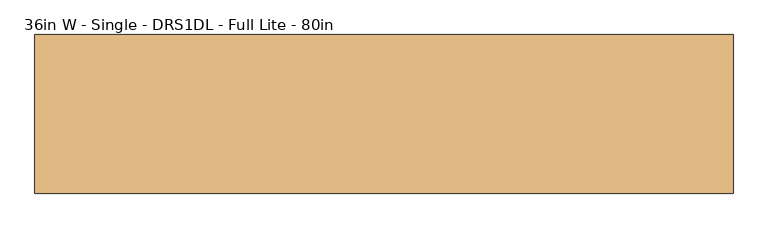
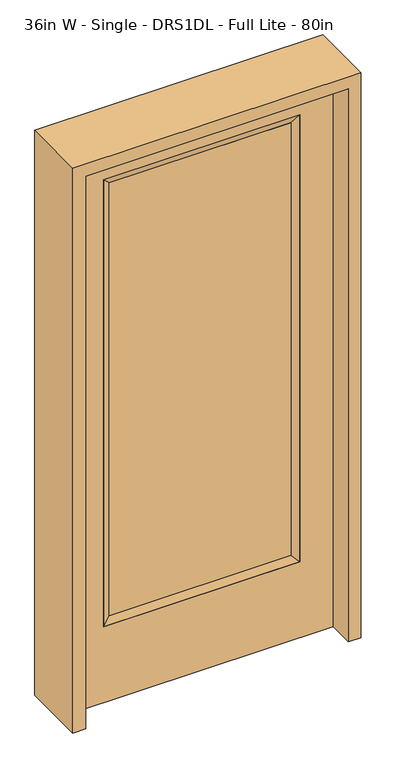
"""IFC4 building model written with IfcOpenShell, lengths in millimetres: door geometry, 36in W - Single - DRS1DL - Full Lite - 80in."""

from ifc_helpers import new_model, si_unit, frame, origin, place, context, project, spatial, polyline, outline, extrude, faceted_brep, source, transform, mapped, element, save


def door_36in_w_single_drs1dl_full_lite_80in_4574c192(model_context):
    return source(origin(), model_context, "Body", "SolidModel", [
        extrude(outline(polyline([(316.3824, -12.7039749), (-316.3824, -12.7039749), (-316.3824, 14.2875), (316.3824, 14.2875), (316.3824, -12.7039749)])), frame((0.0, 0.0, 304.8), z_axis=(0.0, 0.0, 1.0), x_axis=(1.0, 0.0, 0.0)), (0.0, 0.0, 1.0), 1591.1576),
        faceted_brep([(316.3824, 14.2875, 1895.9576), (341.7824, 22.225, 1921.3576), (341.7824, 22.225, 279.4), (316.3824, 14.2875, 304.8), (341.7824, -22.225, 1921.3576), (341.7824, -22.225, 279.4), (-341.7824, 22.225, 279.4), (-316.3824, 14.2875, 304.8), (316.3824, -12.7039749, 1895.9576), (316.3824, -12.7039749, 304.8), (-316.3824, -12.7039749, 304.8), (-341.7824, -22.225, 279.4), (-341.7824, 22.225, 1921.3576), (-316.3824, 14.2875, 1895.9576), (-316.3824, -12.7039749, 1895.9576), (-341.7824, -22.225, 1921.3576)], [[[0, 1, 2, 3]], [[1, 4, 5, 2]], [[3, 2, 6, 7]], [[8, 0, 3, 9]], [[9, 3, 7, 10]], [[4, 8, 9, 5]], [[5, 9, 10, 11]], [[2, 5, 11, 6]], [[7, 6, 12, 13]], [[10, 7, 13, 14]], [[11, 10, 14, 15]], [[6, 11, 15, 12]], [[13, 12, 1, 0]], [[14, 13, 0, 8]], [[15, 14, 8, 4]], [[12, 15, 4, 1]]]),
        extrude(outline(polyline([(0.0, -457.2), (0.0, 457.2), (2032.0, 457.2), (2032.0, -457.2), (0.0, -457.2)]), holes=[polyline([(279.4, -341.7824), (1921.3576, -341.7824), (1921.3576, 341.7824), (279.4, 341.7824), (279.4, -341.7824)])]), frame((0.0, -22.225, 0.0), z_axis=(0.0, 1.0, 0.0), x_axis=(0.0, 0.0, 1.0)), (0.0, 0.0, 1.0), 44.45),
        extrude(outline(polyline([(0.0, -501.65), (0.0, -457.2), (2032.0, -457.2), (2032.0, 457.2), (0.0, 457.2), (0.0, 501.65), (2076.45, 501.65), (2076.45, -501.65), (0.0, -501.65)])), frame((0.0, -114.3, 0.0), z_axis=(0.0, 1.0, 0.0), x_axis=(0.0, 0.0, 1.0)), (0.0, 0.0, 1.0), 228.6),
    ])


if __name__ == "__main__":
    model = new_model("IFC4")
    model_context = context("Model", 3, world=origin())
    ifc_project = project(units=[si_unit("LENGTHUNIT", "METRE", prefix="MILLI")], contexts=[model_context])
    site = spatial("IfcSite", under=ifc_project)
    building = spatial("IfcBuilding", under=site)
    placement = place(None, origin())
    door_36in_w_single_drs1dl_full_lite_80in_shape = door_36in_w_single_drs1dl_full_lite_80in_4574c192(model_context)
    element("IfcDoor", 1, ObjectType="36in W - Single - DRS1DL - Full Lite - 80in", at=placement, inside=building, context=model_context, shape_type="MappedRepresentation", body=[
        mapped(door_36in_w_single_drs1dl_full_lite_80in_shape, transform((0.0, 0.0, 0.0), x_axis=(1.0, 0.0, 0.0), y_axis=(0.0, 1.0, 0.0), z_axis=(0.0, 0.0, 1.0))),
    ])
    save(model, "model.ifc")
